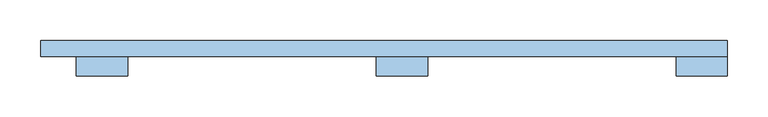
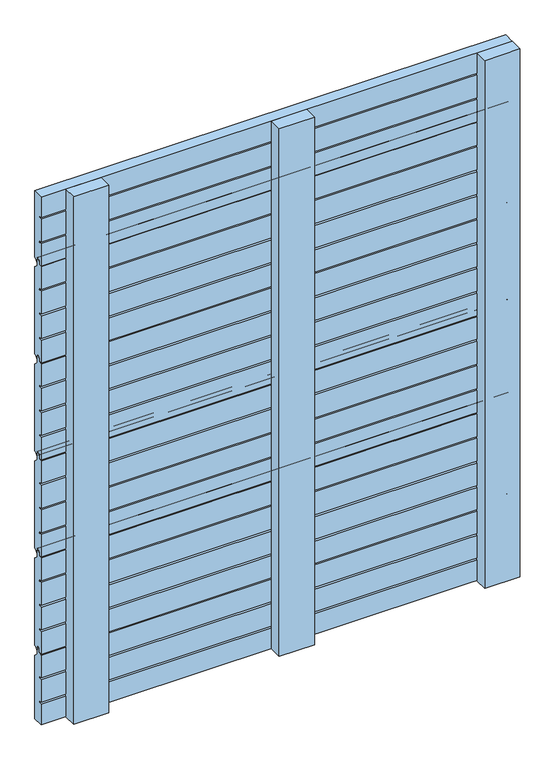
"""IFC4 building model written with IfcOpenShell, lengths in millimetres: window geometry."""

from ifc_helpers import new_model, si_unit, point, frame, frame_2d, origin, place, context, project, spatial, polyline, circle_curve, trimmed, segment, composite_curve, outline, extrude, source, transform, mapped, element, save


def window_27e752ec(model_context):
    return source(origin(), model_context, "Body", "SweptSolid", [
        extrude(outline(composite_curve([segment(trimmed(circle_curve(frame_2d((65.5, 234.9478782)), 1.0), [point((66.5, 234.9478782))], [point((65.5, 233.9478782))], False, "CARTESIAN"), True, "CONTINUOUS"), segment(polyline([(65.5, 233.9478782), (60.5, 233.9478782), (60.5, 276.3167895), (66.5, 276.3167895), (66.5, 279.8167895), (60.5, 279.8167895), (60.5, 322.8778597), (66.5, 322.8778597), (66.5, 326.3778597), (60.5, 326.3778597), (60.5, 369.4389298), (66.5, 369.4389298), (66.5, 372.9389298), (60.5, 372.9389298), (60.5, 416.0), (67.0, 416.0), (67.0, 422.5)]), True, "CONTINUOUS"), segment(trimmed(circle_curve(frame_2d((68.5, 422.5)), 1.5), [point((67.0, 422.5))], [point((68.5, 424.0))], False, "CARTESIAN"), True, "CONTINUOUS"), segment(polyline([(68.5, 424.0), (71.5, 424.0)]), True, "CONTINUOUS"), segment(trimmed(circle_curve(frame_2d((71.5, 422.5)), 1.5), [point((71.5, 424.0))], [point((73.0, 422.5))], False, "CARTESIAN"), True, "CONTINUOUS"), segment(polyline([(73.0, 422.5), (73.0, 411.4142136)]), True, "CONTINUOUS"), segment(trimmed(circle_curve(frame_2d((74.0, 411.4142136)), 1.0), [point((73.0, 411.4142136))], [point((73.2928932, 410.7071068))], True, "CARTESIAN"), True, "CONTINUOUS"), segment(polyline([(73.2928932, 410.7071068), (79.5606602, 404.4393398)]), True, "CONTINUOUS"), segment(trimmed(circle_curve(frame_2d((78.5, 403.3786797)), 1.5), [point((79.5606602, 404.4393398))], [point((80.0, 403.3786797))], False, "CARTESIAN"), True, "CONTINUOUS"), segment(polyline([(80.0, 403.3786797), (80.0, 240.154985)]), True, "CONTINUOUS"), segment(trimmed(circle_curve(frame_2d((78.5, 240.154985)), 1.5), [point((80.0, 240.154985))], [point((79.5606602, 239.0943248))], False, "CARTESIAN"), True, "CONTINUOUS"), segment(polyline([(79.5606602, 239.0943248), (74.7071068, 234.2407714)]), True, "CONTINUOUS"), segment(trimmed(circle_curve(frame_2d((74.0, 234.9478782)), 1.0), [point((74.7071068, 234.2407714))], [point((73.0, 234.9478782))], False, "CARTESIAN"), True, "CONTINUOUS"), segment(polyline([(73.0, 234.9478782), (73.0, 241.4478782)]), True, "CONTINUOUS"), segment(trimmed(circle_curve(frame_2d((71.5, 241.4478782)), 1.5), [point((73.0, 241.4478782))], [point((71.5, 242.9478782))], True, "CARTESIAN"), True, "CONTINUOUS"), segment(polyline([(71.5, 242.9478782), (68.0, 242.9478782)]), True, "CONTINUOUS"), segment(trimmed(circle_curve(frame_2d((68.0, 241.4478782)), 1.5), [point((68.0, 242.9478782))], [point((66.5, 241.4478782))], True, "CARTESIAN"), True, "CONTINUOUS"), segment(polyline([(66.5, 241.4478782), (66.5, 234.9478782)]), True, "CONTINUOUS")], self_intersect=False)), frame((-444.0, 0.0, 0.0), z_axis=(1.0, 0.0, 0.0), x_axis=(0.0, 1.0, 0.0)), (0.0, 0.0, 1.0), 844.0),
        extrude(outline(composite_curve([segment(trimmed(circle_curve(frame_2d((65.5, 418.9478782)), 1.0), [point((66.5, 418.9478782))], [point((65.5, 417.9478782))], False, "CARTESIAN"), True, "CONTINUOUS"), segment(polyline([(65.5, 417.9478782), (60.5, 417.9478782), (60.5, 460.3167895), (66.5, 460.3167895), (66.5, 463.8167895), (60.5, 463.8167895), (60.5, 506.8778597), (66.5, 506.8778597), (66.5, 510.3778597), (60.5, 510.3778597), (60.5, 553.4389298), (66.5, 553.4389298), (66.5, 556.9389298), (60.5, 556.9389298), (60.5, 600.0), (67.0, 600.0), (67.0, 606.5)]), True, "CONTINUOUS"), segment(trimmed(circle_curve(frame_2d((68.5, 606.5)), 1.5), [point((67.0, 606.5))], [point((68.5, 608.0))], False, "CARTESIAN"), True, "CONTINUOUS"), segment(polyline([(68.5, 608.0), (71.5, 608.0)]), True, "CONTINUOUS"), segment(trimmed(circle_curve(frame_2d((71.5, 606.5)), 1.5), [point((71.5, 608.0))], [point((73.0, 606.5))], False, "CARTESIAN"), True, "CONTINUOUS"), segment(polyline([(73.0, 606.5), (73.0, 595.4142136)]), True, "CONTINUOUS"), segment(trimmed(circle_curve(frame_2d((74.0, 595.4142136)), 1.0), [point((73.0, 595.4142136))], [point((73.2928932, 594.7071068))], True, "CARTESIAN"), True, "CONTINUOUS"), segment(polyline([(73.2928932, 594.7071068), (79.5606602, 588.4393398)]), True, "CONTINUOUS"), segment(trimmed(circle_curve(frame_2d((78.5, 587.3786797)), 1.5), [point((79.5606602, 588.4393398))], [point((80.0, 587.3786797))], False, "CARTESIAN"), True, "CONTINUOUS"), segment(polyline([(80.0, 587.3786797), (80.0, 424.154985)]), True, "CONTINUOUS"), segment(trimmed(circle_curve(frame_2d((78.5, 424.154985)), 1.5), [point((80.0, 424.154985))], [point((79.5606602, 423.0943248))], False, "CARTESIAN"), True, "CONTINUOUS"), segment(polyline([(79.5606602, 423.0943248), (74.7071068, 418.2407714)]), True, "CONTINUOUS"), segment(trimmed(circle_curve(frame_2d((74.0, 418.9478782)), 1.0), [point((74.7071068, 418.2407714))], [point((73.0, 418.9478782))], False, "CARTESIAN"), True, "CONTINUOUS"), segment(polyline([(73.0, 418.9478782), (73.0, 425.4478782)]), True, "CONTINUOUS"), segment(trimmed(circle_curve(frame_2d((71.5, 425.4478782)), 1.5), [point((73.0, 425.4478782))], [point((71.5, 426.9478782))], True, "CARTESIAN"), True, "CONTINUOUS"), segment(polyline([(71.5, 426.9478782), (68.0, 426.9478782)]), True, "CONTINUOUS"), segment(trimmed(circle_curve(frame_2d((68.0, 425.4478782)), 1.5), [point((68.0, 426.9478782))], [point((66.5, 425.4478782))], True, "CARTESIAN"), True, "CONTINUOUS"), segment(polyline([(66.5, 425.4478782), (66.5, 418.9478782)]), True, "CONTINUOUS")], self_intersect=False)), frame((-444.0, 0.0, 0.0), z_axis=(1.0, 0.0, 0.0), x_axis=(0.0, 1.0, 0.0)), (0.0, 0.0, 1.0), 844.0),
        extrude(outline(composite_curve([segment(trimmed(circle_curve(frame_2d((65.5, 602.9478782)), 1.0), [point((66.5, 602.9478782))], [point((65.5, 601.9478782))], False, "CARTESIAN"), True, "CONTINUOUS"), segment(polyline([(65.5, 601.9478782), (60.5, 601.9478782), (60.5, 644.3167895), (66.5, 644.3167895), (66.5, 647.8167895), (60.5, 647.8167895), (60.5, 690.8778597), (66.5, 690.8778597), (66.5, 694.3778597), (60.5, 694.3778597), (60.5, 737.4389298), (66.5, 737.4389298), (66.5, 740.9389298), (60.5, 740.9389298), (60.5, 784.0), (67.0, 784.0), (67.0, 790.5)]), True, "CONTINUOUS"), segment(trimmed(circle_curve(frame_2d((68.5, 790.5)), 1.5), [point((67.0, 790.5))], [point((68.5, 792.0))], False, "CARTESIAN"), True, "CONTINUOUS"), segment(polyline([(68.5, 792.0), (71.5, 792.0)]), True, "CONTINUOUS"), segment(trimmed(circle_curve(frame_2d((71.5, 790.5)), 1.5), [point((71.5, 792.0))], [point((73.0, 790.5))], False, "CARTESIAN"), True, "CONTINUOUS"), segment(polyline([(73.0, 790.5), (73.0, 779.4142136)]), True, "CONTINUOUS"), segment(trimmed(circle_curve(frame_2d((74.0, 779.4142136)), 1.0), [point((73.0, 779.4142136))], [point((73.2928932, 778.7071068))], True, "CARTESIAN"), True, "CONTINUOUS"), segment(polyline([(73.2928932, 778.7071068), (79.5606602, 772.4393398)]), True, "CONTINUOUS"), segment(trimmed(circle_curve(frame_2d((78.5, 771.3786797)), 1.5), [point((79.5606602, 772.4393398))], [point((80.0, 771.3786797))], False, "CARTESIAN"), True, "CONTINUOUS"), segment(polyline([(80.0, 771.3786797), (80.0, 608.154985)]), True, "CONTINUOUS"), segment(trimmed(circle_curve(frame_2d((78.5, 608.154985)), 1.5), [point((80.0, 608.154985))], [point((79.5606602, 607.0943248))], False, "CARTESIAN"), True, "CONTINUOUS"), segment(polyline([(79.5606602, 607.0943248), (74.7071068, 602.2407714)]), True, "CONTINUOUS"), segment(trimmed(circle_curve(frame_2d((74.0, 602.9478782)), 1.0), [point((74.7071068, 602.2407714))], [point((73.0, 602.9478782))], False, "CARTESIAN"), True, "CONTINUOUS"), segment(polyline([(73.0, 602.9478782), (73.0, 609.4478782)]), True, "CONTINUOUS"), segment(trimmed(circle_curve(frame_2d((71.5, 609.4478782)), 1.5), [point((73.0, 609.4478782))], [point((71.5, 610.9478782))], True, "CARTESIAN"), True, "CONTINUOUS"), segment(polyline([(71.5, 610.9478782), (68.0, 610.9478782)]), True, "CONTINUOUS"), segment(trimmed(circle_curve(frame_2d((68.0, 609.4478782)), 1.5), [point((68.0, 610.9478782))], [point((66.5, 609.4478782))], True, "CARTESIAN"), True, "CONTINUOUS"), segment(polyline([(66.5, 609.4478782), (66.5, 602.9478782)]), True, "CONTINUOUS")], self_intersect=False)), frame((-444.0, 0.0, 0.0), z_axis=(1.0, 0.0, 0.0), x_axis=(0.0, 1.0, 0.0)), (0.0, 0.0, 1.0), 844.0),
        extrude(outline(composite_curve([segment(trimmed(circle_curve(frame_2d((65.5, 786.9478782)), 1.0), [point((66.5, 786.9478782))], [point((65.5, 785.9478782))], False, "CARTESIAN"), True, "CONTINUOUS"), segment(polyline([(65.5, 785.9478782), (60.5, 785.9478782), (60.5, 828.3167895), (66.5, 828.3167895), (66.5, 831.8167895), (60.5, 831.8167895), (60.5, 874.8778597), (66.5, 874.8778597), (66.5, 878.3778597), (60.5, 878.3778597), (60.5, 921.4389298), (66.5, 921.4389298), (66.5, 924.9389298), (60.5, 924.9389298), (60.5, 968.0), (67.0, 968.0), (67.0, 974.5)]), True, "CONTINUOUS"), segment(trimmed(circle_curve(frame_2d((68.5, 974.5)), 1.5), [point((67.0, 974.5))], [point((68.5, 976.0))], False, "CARTESIAN"), True, "CONTINUOUS"), segment(polyline([(68.5, 976.0), (71.5, 976.0)]), True, "CONTINUOUS"), segment(trimmed(circle_curve(frame_2d((71.5, 974.5)), 1.5), [point((71.5, 976.0))], [point((73.0, 974.5))], False, "CARTESIAN"), True, "CONTINUOUS"), segment(polyline([(73.0, 974.5), (73.0, 963.4142136)]), True, "CONTINUOUS"), segment(trimmed(circle_curve(frame_2d((74.0, 963.4142136)), 1.0), [point((73.0, 963.4142136))], [point((73.2928932, 962.7071068))], True, "CARTESIAN"), True, "CONTINUOUS"), segment(polyline([(73.2928932, 962.7071068), (79.5606602, 956.4393398)]), True, "CONTINUOUS"), segment(trimmed(circle_curve(frame_2d((78.5, 955.3786797)), 1.5), [point((79.5606602, 956.4393398))], [point((80.0, 955.3786797))], False, "CARTESIAN"), True, "CONTINUOUS"), segment(polyline([(80.0, 955.3786797), (80.0, 792.154985)]), True, "CONTINUOUS"), segment(trimmed(circle_curve(frame_2d((78.5, 792.154985)), 1.5), [point((80.0, 792.154985))], [point((79.5606602, 791.0943248))], False, "CARTESIAN"), True, "CONTINUOUS"), segment(polyline([(79.5606602, 791.0943248), (74.7071068, 786.2407714)]), True, "CONTINUOUS"), segment(trimmed(circle_curve(frame_2d((74.0, 786.9478782)), 1.0), [point((74.7071068, 786.2407714))], [point((73.0, 786.9478782))], False, "CARTESIAN"), True, "CONTINUOUS"), segment(polyline([(73.0, 786.9478782), (73.0, 793.4478782)]), True, "CONTINUOUS"), segment(trimmed(circle_curve(frame_2d((71.5, 793.4478782)), 1.5), [point((73.0, 793.4478782))], [point((71.5, 794.9478782))], True, "CARTESIAN"), True, "CONTINUOUS"), segment(polyline([(71.5, 794.9478782), (68.0, 794.9478782)]), True, "CONTINUOUS"), segment(trimmed(circle_curve(frame_2d((68.0, 793.4478782)), 1.5), [point((68.0, 794.9478782))], [point((66.5, 793.4478782))], True, "CARTESIAN"), True, "CONTINUOUS"), segment(polyline([(66.5, 793.4478782), (66.5, 786.9478782)]), True, "CONTINUOUS")], self_intersect=False)), frame((-444.0, 0.0, 0.0), z_axis=(1.0, 0.0, 0.0), x_axis=(0.0, 1.0, 0.0)), (0.0, 0.0, 1.0), 844.0),
        extrude(outline(composite_curve([segment(trimmed(circle_curve(frame_2d((78.5, 219.3786797)), 1.5), [point((79.5606602, 220.4393398))], [point((80.0, 219.3786797))], False, "CARTESIAN"), True, "CONTINUOUS"), segment(polyline([(80.0, 219.3786797), (80.0, 100.0), (60.5, 100.0), (60.5, 138.8778597), (66.5, 138.8778597), (66.5, 142.3778597), (60.5, 142.3778597), (60.5, 185.4389298), (66.5, 185.4389298), (66.5, 188.9389298), (60.5, 188.9389298), (60.5, 232.0), (67.0, 232.0), (67.0, 238.5)]), True, "CONTINUOUS"), segment(trimmed(circle_curve(frame_2d((68.5, 238.5)), 1.5), [point((67.0, 238.5))], [point((68.5, 240.0))], False, "CARTESIAN"), True, "CONTINUOUS"), segment(polyline([(68.5, 240.0), (71.5, 240.0)]), True, "CONTINUOUS"), segment(trimmed(circle_curve(frame_2d((71.5, 238.5)), 1.5), [point((71.5, 240.0))], [point((73.0, 238.5))], False, "CARTESIAN"), True, "CONTINUOUS"), segment(polyline([(73.0, 238.5), (73.0, 227.4142136)]), True, "CONTINUOUS"), segment(trimmed(circle_curve(frame_2d((74.0, 227.4142136)), 1.0), [point((73.0, 227.4142136))], [point((73.2928932, 226.7071068))], True, "CARTESIAN"), True, "CONTINUOUS"), segment(polyline([(73.2928932, 226.7071068), (79.5606602, 220.4393398)]), True, "CONTINUOUS")], self_intersect=False)), frame((-444.0, 0.0, 0.0), z_axis=(1.0, 0.0, 0.0), x_axis=(0.0, 1.0, 0.0)), (0.0, 0.0, 1.0), 844.0),
        extrude(outline(composite_curve([segment(trimmed(circle_curve(frame_2d((65.5, 970.0)), 1.0), [point((66.5, 970.0))], [point((65.5, 969.0))], False, "CARTESIAN"), True, "CONTINUOUS"), segment(polyline([(65.5, 969.0), (60.5, 969.0), (60.5, 1011.3689113), (66.5, 1011.3689113), (66.5, 1014.8689113), (60.5, 1014.8689113), (60.5, 1057.9299815), (66.5, 1057.9299815), (66.5, 1061.4299815), (60.5, 1061.4299815), (60.5, 1100.0), (80.0, 1100.0), (80.0, 975.2071068)]), True, "CONTINUOUS"), segment(trimmed(circle_curve(frame_2d((78.5, 975.2071068)), 1.5), [point((80.0, 975.2071068))], [point((79.5606602, 974.1464466))], False, "CARTESIAN"), True, "CONTINUOUS"), segment(polyline([(79.5606602, 974.1464466), (74.7071068, 969.2928932)]), True, "CONTINUOUS"), segment(trimmed(circle_curve(frame_2d((74.0, 970.0)), 1.0), [point((74.7071068, 969.2928932))], [point((73.0, 970.0))], False, "CARTESIAN"), True, "CONTINUOUS"), segment(polyline([(73.0, 970.0), (73.0, 976.5)]), True, "CONTINUOUS"), segment(trimmed(circle_curve(frame_2d((71.5, 976.5)), 1.5), [point((73.0, 976.5))], [point((71.5, 978.0))], True, "CARTESIAN"), True, "CONTINUOUS"), segment(polyline([(71.5, 978.0), (68.0, 978.0)]), True, "CONTINUOUS"), segment(trimmed(circle_curve(frame_2d((68.0, 976.5)), 1.5), [point((68.0, 978.0))], [point((66.5, 976.5))], True, "CARTESIAN"), True, "CONTINUOUS"), segment(polyline([(66.5, 976.5), (66.5, 970.0)]), True, "CONTINUOUS")], self_intersect=False)), frame((-444.0, 0.0, 0.0), z_axis=(1.0, 0.0, 0.0), x_axis=(0.0, 1.0, 0.0)), (0.0, 0.0, 1.0), 844.0),
        extrude(outline(polyline([(-31.5, 60.1), (31.5, 60.1), (31.5, 36.1), (-31.5, 36.1), (-31.5, 60.1)])), frame((0.0, 0.0, 100.0), z_axis=(0.0, 0.0, 1.0), x_axis=(1.0, 0.0, 0.0)), (0.0, 0.0, 1.0), 1000.0),
        extrude(outline(polyline([(-400.0, 60.0), (-337.0, 60.0), (-337.0, 36.0), (-400.0, 36.0), (-400.0, 60.0)])), frame((0.0, 0.0, 100.0), z_axis=(0.0, 0.0, 1.0), x_axis=(1.0, 0.0, 0.0)), (0.0, 0.0, 1.0), 1000.0),
        extrude(outline(polyline([(337.0, 60.0), (400.0, 60.0), (400.0, 36.0), (337.0, 36.0), (337.0, 60.0)])), frame((0.0, 0.0, 100.0), z_axis=(0.0, 0.0, 1.0), x_axis=(1.0, 0.0, 0.0)), (0.0, 0.0, 1.0), 1000.0),
    ])


if __name__ == "__main__":
    model = new_model("IFC4")
    model_context = context("Model", 3, world=origin())
    ifc_project = project(units=[si_unit("LENGTHUNIT", "METRE", prefix="MILLI")], contexts=[model_context])
    site = spatial("IfcSite", under=ifc_project)
    building = spatial("IfcBuilding", under=site)
    placement = place(None, origin())
    window_shape = window_27e752ec(model_context)
    element("IfcWindow", 1, at=placement, inside=building, context=model_context, shape_type="MappedRepresentation", body=[
        mapped(window_shape, transform((0.0, 0.0, 0.0), x_axis=(1.0, 0.0, 0.0), y_axis=(0.0, 1.0, 0.0), z_axis=(0.0, 0.0, 1.0))),
    ])
    save(model, "model.ifc")
